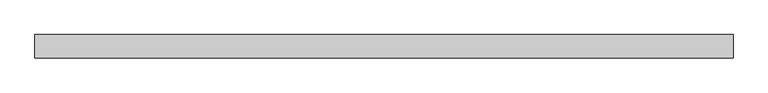
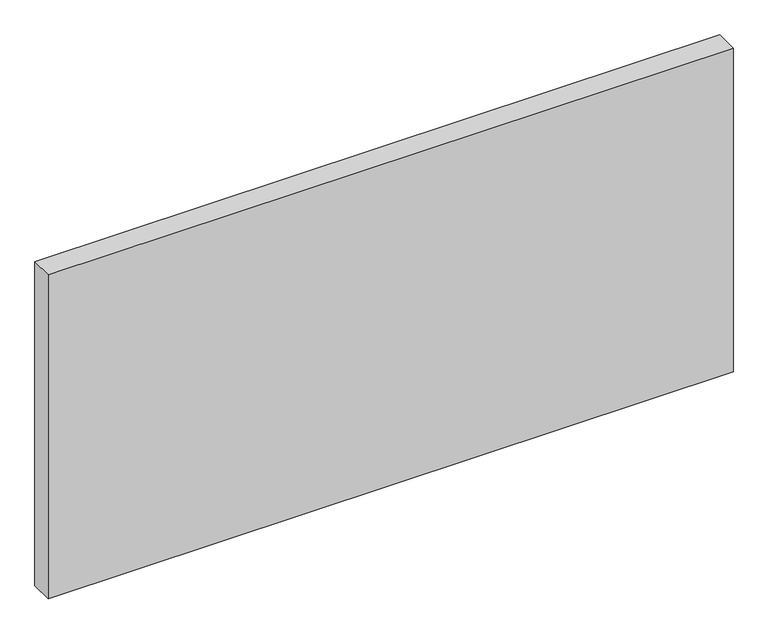
"""IFC4 building model written with IfcOpenShell, lengths in millimetres: proxy geometry."""

from ifc_helpers import new_model, si_unit, origin, origin_with_axes, place, context, project, spatial, polyline, outline, extrude, source, transform, mapped, element, save


def generic_models_a18cbbf2(model_context):
    return source(origin(), model_context, "Body", "SweptSolid", [
        extrude(outline(polyline([(0.0, 100.0), (0.0, 0.0), (-3000.0, 0.0), (-3000.0, 100.0), (0.0, 100.0)])), origin_with_axes(), (0.0, 0.0, 1.0), 1500.0),
    ])


if __name__ == "__main__":
    model = new_model("IFC4")
    model_context = context("Model", 3, world=origin())
    ifc_project = project(units=[si_unit("LENGTHUNIT", "METRE", prefix="MILLI")], contexts=[model_context])
    site = spatial("IfcSite", under=ifc_project)
    building = spatial("IfcBuilding", under=site)
    placement = place(None, origin())
    generic_models_shape = generic_models_a18cbbf2(model_context)
    element("IfcBuildingElementProxy", 1, Name="Generic Models", at=placement, inside=building, context=model_context, shape_type="MappedRepresentation", body=[
        mapped(generic_models_shape, transform((0.0, 0.0, 0.0), x_axis=(1.0, 0.0, 0.0), y_axis=(0.0, 1.0, 0.0), z_axis=(0.0, 0.0, 1.0))),
    ])
    save(model, "model.ifc")
